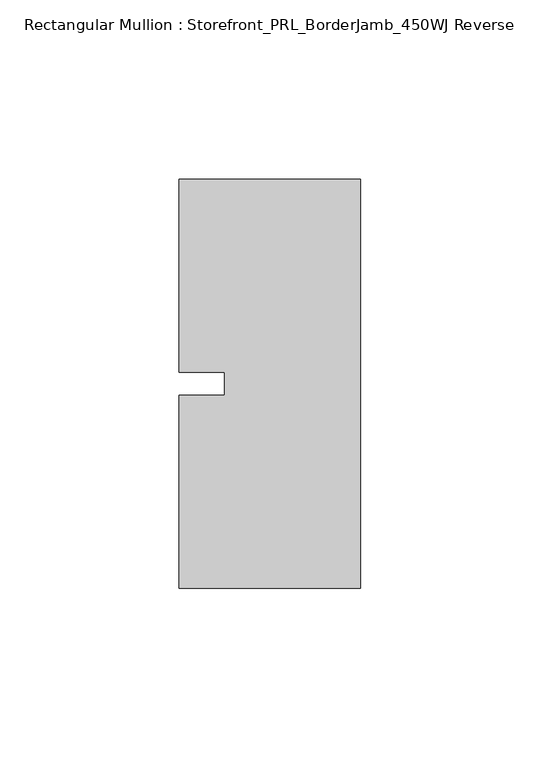
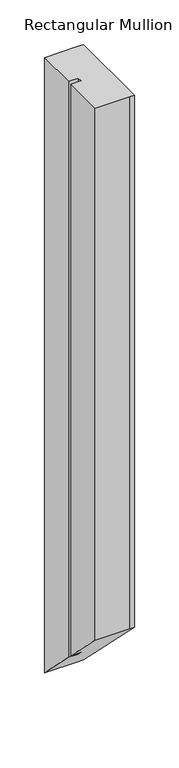
"""IFC4 building model written with IfcOpenShell, lengths in millimetres: member geometry, Rectangular Mullion : Storefront_PRL_BorderJamb_450WJ Reverse."""

from ifc_helpers import new_model, si_unit, origin, place, context, project, spatial, faceted_brep, source, transform, mapped, element, save


def rectangular_mullion_storefront_prl_borderjamb_450wj_reverse_ce867755(model_context):
    return source(origin(), model_context, "Body", "Brep", [
        faceted_brep([(-38.1, -3.175, 0.0), (-50.8, -3.175, 0.0), (-50.8, -57.15, 0.0), (-6.35, -57.15, 0.0), (0.0, -57.15, 0.0), (0.0, 57.15, 0.0), (-7.3958824, 57.15, 0.0), (-50.8, 57.15, 0.0), (-50.8, 3.175, 0.0), (-38.1, 3.175, 0.0), (-38.1, -3.175, -783.1666667), (-50.8, -3.175, -783.1666667), (-50.8, -57.15, -729.1916667), (-6.35, -57.15, -729.1916667), (0.0, -57.15, -729.1916667), (0.0, 57.15, -843.4916667), (-7.3958824, 57.15, -843.4916667), (-50.8, 57.15, -843.4916667), (-50.8, 3.175, -789.5166667), (-38.1, 3.175, -789.5166667)], [[[0, 1, 2, 3, 4, 5, 6, 7, 8, 9]], [[1, 0, 10, 11]], [[2, 1, 11, 12]], [[3, 2, 12, 13]], [[4, 3, 13, 14]], [[5, 4, 14, 15]], [[6, 5, 15, 16]], [[7, 6, 16, 17]], [[8, 7, 17, 18]], [[9, 8, 18, 19]], [[0, 9, 19, 10]], [[10, 19, 18, 17, 16, 15, 14, 13, 12, 11]]]),
    ])


if __name__ == "__main__":
    model = new_model("IFC4")
    model_context = context("Model", 3, world=origin())
    ifc_project = project(units=[si_unit("LENGTHUNIT", "METRE", prefix="MILLI")], contexts=[model_context])
    site = spatial("IfcSite", under=ifc_project)
    building = spatial("IfcBuilding", under=site)
    placement = place(None, origin())
    rectangular_mullion_storefront_prl_borderjamb_450wj_reverse_shape = rectangular_mullion_storefront_prl_borderjamb_450wj_reverse_ce867755(model_context)
    element("IfcMember", 1, ObjectType="Rectangular Mullion : Storefront_PRL_BorderJamb_450WJ Reverse", at=placement, inside=building, context=model_context, shape_type="MappedRepresentation", body=[
        mapped(rectangular_mullion_storefront_prl_borderjamb_450wj_reverse_shape, transform((0.0, 0.0, 0.0), x_axis=(1.0, 0.0, 0.0), y_axis=(0.0, 1.0, 0.0), z_axis=(0.0, 0.0, 1.0))),
    ])
    save(model, "model.ifc")
